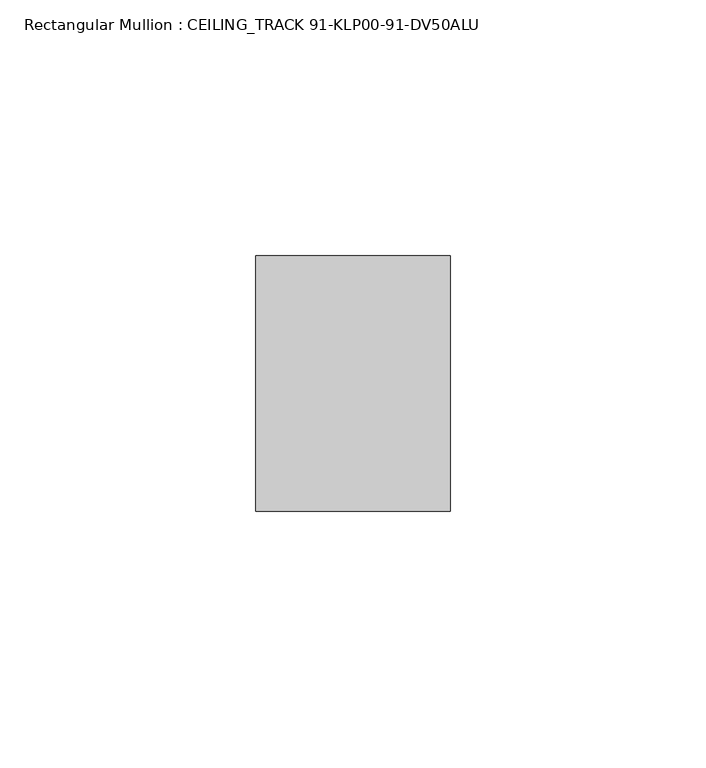
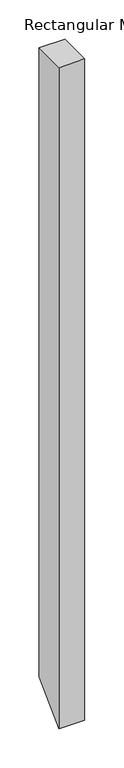
"""IFC4 building model written with IfcOpenShell, lengths in millimetres: member geometry, Rectangular Mullion : CEILING_TRACK 91-KLP00-91-DV50ALU."""

from ifc_helpers import new_model, si_unit, frame, origin, place, context, project, spatial, polyline, outline, extrude, source, transform, mapped, element, save


def rectangular_mullion_ceiling_track_91_klp00_91_dv50alu_39588cbe(model_context):
    return source(origin(), model_context, "Body", "SweptSolid", [
        extrude(outline(polyline([(-25.0, 0.0), (25.0, 0.0), (25.0, -975.0), (-25.0, -1025.0), (-25.0, 0.0)])), frame((-38.0, 0.0, 0.0), z_axis=(1.0, 0.0, 0.0), x_axis=(0.0, 1.0, 0.0)), (0.0, 0.0, 1.0), 38.0),
    ])


if __name__ == "__main__":
    model = new_model("IFC4")
    model_context = context("Model", 3, world=origin())
    ifc_project = project(units=[si_unit("LENGTHUNIT", "METRE", prefix="MILLI")], contexts=[model_context])
    site = spatial("IfcSite", under=ifc_project)
    building = spatial("IfcBuilding", under=site)
    placement = place(None, origin())
    rectangular_mullion_ceiling_track_91_klp00_91_dv50alu_shape = rectangular_mullion_ceiling_track_91_klp00_91_dv50alu_39588cbe(model_context)
    element("IfcMember", 1, ObjectType="Rectangular Mullion : CEILING_TRACK 91-KLP00-91-DV50ALU", at=placement, inside=building, context=model_context, shape_type="MappedRepresentation", body=[
        mapped(rectangular_mullion_ceiling_track_91_klp00_91_dv50alu_shape, transform((0.0, 0.0, 0.0), x_axis=(1.0, 0.0, 0.0), y_axis=(0.0, 1.0, 0.0), z_axis=(0.0, 0.0, 1.0))),
    ])
    save(model, "model.ifc")
